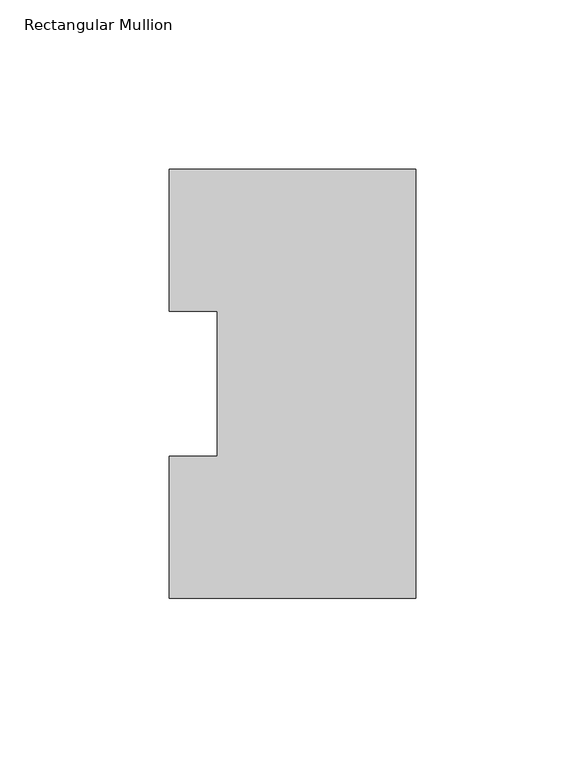
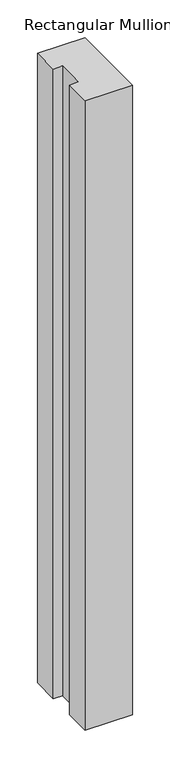
"""IFC4 building model written with IfcOpenShell, lengths in millimetres: member geometry, Rectangular Mullion."""

from ifc_helpers import new_model, si_unit, frame, origin, place, context, project, spatial, polyline, outline, extrude, source, transform, mapped, element, save


def rectangular_mullion_4a4046cc(model_context):
    return source(origin(), model_context, "Body", "SweptSolid", [
        extrude(outline(polyline([(0.0, 127.00635), (0.0, 0.00635), (-73.025, 0.00635), (-73.025, 42.08145), (-58.7375, 42.08145), (-58.7375, 84.93125), (-73.025, 84.93125), (-73.025, 127.00635), (0.0, 127.00635)])), frame((0.0, 0.0, -1022.35), z_axis=(0.0, 0.0, 1.0), x_axis=(1.0, 0.0, 0.0)), (0.0, 0.0, 1.0), 1022.35),
    ])


if __name__ == "__main__":
    model = new_model("IFC4")
    model_context = context("Model", 3, world=origin())
    ifc_project = project(units=[si_unit("LENGTHUNIT", "METRE", prefix="MILLI")], contexts=[model_context])
    site = spatial("IfcSite", under=ifc_project)
    building = spatial("IfcBuilding", under=site)
    placement = place(None, origin())
    rectangular_mullion_shape = rectangular_mullion_4a4046cc(model_context)
    element("IfcMember", 1, ObjectType="Rectangular Mullion", at=placement, inside=building, context=model_context, shape_type="MappedRepresentation", body=[
        mapped(rectangular_mullion_shape, transform((0.0, 0.0, 0.0), x_axis=(1.0, 0.0, 0.0), y_axis=(0.0, 1.0, 0.0), z_axis=(0.0, 0.0, 1.0))),
    ])
    save(model, "model.ifc")
